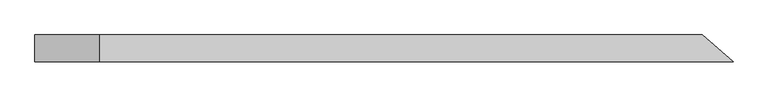
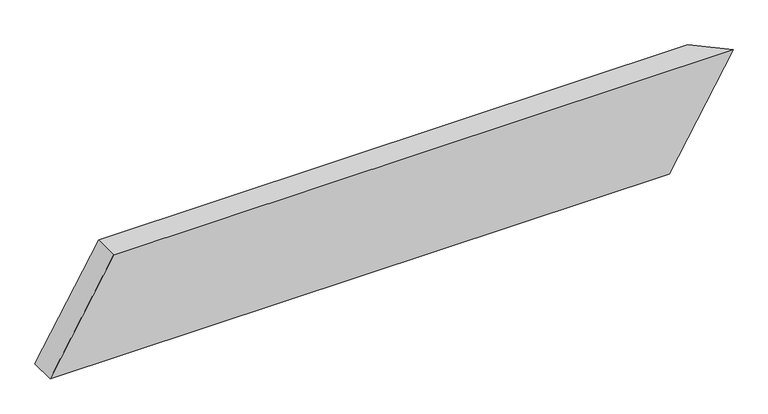
"""IFC4 building model written with IfcOpenShell, lengths in millimetres: beam geometry."""

from ifc_helpers import new_model, si_unit, origin, place, context, project, spatial, faceted_brep, source, transform, mapped, element, save


def beam_c16c1590(model_context):
    return source(origin(), model_context, "Body", "Brep", [
        faceted_brep([(640.4029309, -24.0, 100.0), (-495.9513763, -24.0, 100.0), (-612.6180429, -24.0, -100.0), (523.7362643, -24.0, -100.0), (584.833155, 24.0, 100.0), (468.1664883, 24.0, -100.0), (-612.6180429, 24.0, -100.0), (-495.9513763, 24.0, 100.0)], [[[0, 1, 2, 3]], [[4, 5, 6, 7]], [[5, 4, 0, 3]], [[6, 5, 3, 2]], [[7, 6, 2, 1]], [[4, 7, 1, 0]]]),
    ])


if __name__ == "__main__":
    model = new_model("IFC4")
    model_context = context("Model", 3, world=origin())
    ifc_project = project(units=[si_unit("LENGTHUNIT", "METRE", prefix="MILLI")], contexts=[model_context])
    site = spatial("IfcSite", under=ifc_project)
    building = spatial("IfcBuilding", under=site)
    placement = place(None, origin())
    beam_shape = beam_c16c1590(model_context)
    element("IfcBeam", 1, at=placement, inside=building, context=model_context, shape_type="MappedRepresentation", body=[
        mapped(beam_shape, transform((0.0, 0.0, 0.0), x_axis=(1.0, 0.0, 0.0), y_axis=(0.0, 1.0, 0.0), z_axis=(0.0, 0.0, 1.0))),
    ])
    save(model, "model.ifc")
